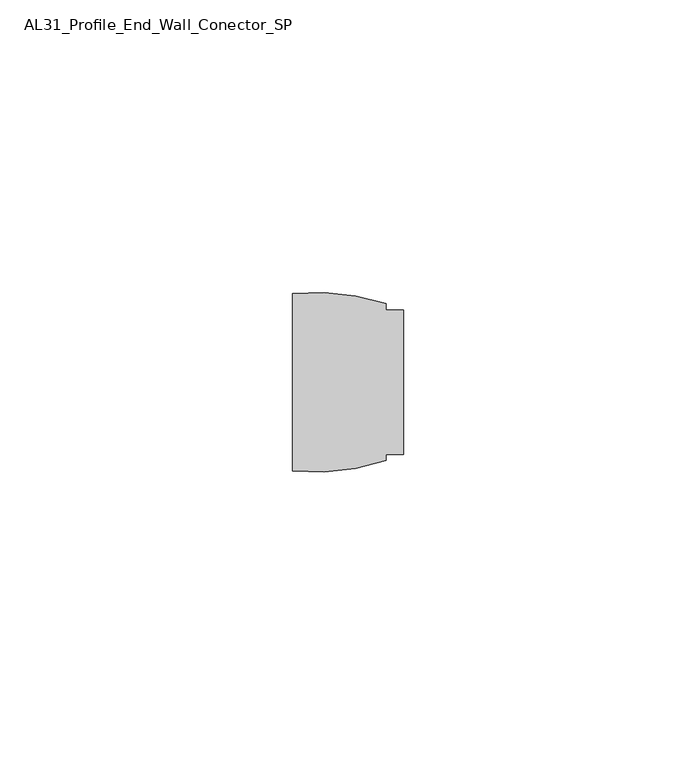
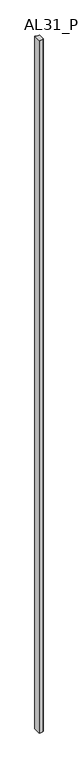
"""IFC4 building model written with IfcOpenShell, lengths in millimetres: member geometry, AL31_Profile_End_Wall_Conector_SP."""

import ifcopenshell
import ifcopenshell.guid

model = None  # the IFC model being written
_history = None  # IfcOwnerHistory: only IFC2X3 demands one
_inside = {}  # id of a spatial element -> (the spatial element, [elements in it])
_under = {}  # id of a project, library or spatial element -> (it, [spatial elements below it])
_declared = {}  # id of a project -> (the project, [libraries it declares])
_typed = {}  # id of a type object -> (the type object, [elements of that type])
_made_of = {}  # id of a material, layer set ... -> (it, [elements and type objects made of it])


def new_model(schema):
    """Start an empty IFC model of exactly this schema.

    Asked for "IFC4X3", IfcOpenShell would pick the latest addendum, in which some entities
    have other attributes; the version numbers below select the first issue.
    IFC2X3 requires an IfcOwnerHistory on every rooted entity: one is made here for all.
    """
    global model, _history
    if schema == "IFC4X3":
        model = ifcopenshell.file(schema_version=(4, 3, 0, 0))
    else:
        model = ifcopenshell.file(schema=schema)
    _inside.clear()
    _under.clear()
    _declared.clear()
    _typed.clear()
    _made_of.clear()
    _history = None
    if model.schema == "IFC2X3":
        org = make("IfcOrganization", Name="unknown")
        user = make(
            "IfcPersonAndOrganization",
            ThePerson=make("IfcPerson", FamilyName="unknown"),
            TheOrganization=org,
        )
        app = make(
            "IfcApplication",
            ApplicationDeveloper=org,
            Version="unknown",
            ApplicationFullName="unknown",
            ApplicationIdentifier="unknown",
        )
        _history = make(
            "IfcOwnerHistory",
            OwningUser=user,
            OwningApplication=app,
            ChangeAction="ADDED",
            CreationDate=0,
        )
    return model


def make(cls, **values):
    """One entity of the class cls with the attributes given. An attribute that is None is left unset."""
    return model.create_entity(
        cls, **{name: value for name, value in values.items() if value is not None}
    )


def rooted(cls, **values):
    """An entity with a GlobalId (a new one), such as an element, a storey or a relation."""
    return make(cls, GlobalId=ifcopenshell.guid.new(), OwnerHistory=_history, **values)


def si_unit(unit_type, name, prefix=None):
    """IfcSIUnit, for example si_unit("LENGTHUNIT", "METRE", prefix="MILLI")."""
    return make("IfcSIUnit", UnitType=unit_type, Prefix=prefix, Name=name)


def assignment(units):
    """IfcUnitAssignment: the units of a project."""
    return None if units is None else make("IfcUnitAssignment", Units=units)


def point(xyz):
    """IfcCartesianPoint."""
    return None if xyz is None else make("IfcCartesianPoint", Coordinates=xyz)


def direction(xyz):
    """IfcDirection."""
    return None if xyz is None else make("IfcDirection", DirectionRatios=xyz)


def frame(location, z_axis=None, x_axis=None):
    """IfcAxis2Placement3D, a coordinate frame: its origin and axes. An axis left out is left unset."""
    return make(
        "IfcAxis2Placement3D",
        Location=point(location),
        Axis=direction(z_axis),
        RefDirection=direction(x_axis),
    )


def frame_2d(location, x_axis=None):
    """IfcAxis2Placement2D, a coordinate frame in the plane: its origin and x axis."""
    return make(
        "IfcAxis2Placement2D", Location=point(location), RefDirection=direction(x_axis)
    )


def origin():
    """The frame at (0, 0, 0) with its axes left unset."""
    return frame((0.0, 0.0, 0.0))


def place(relative_to, where):
    """IfcLocalPlacement: puts the frame where relative to a parent placement (None: the world)."""
    return make(
        "IfcLocalPlacement", PlacementRelTo=relative_to, RelativePlacement=where
    )


def context(
    kind, dimensions, precision=None, world=None, true_north=None, identifier=None
):
    """IfcGeometricRepresentationContext, for example the 3D "Model" context."""
    return make(
        "IfcGeometricRepresentationContext",
        ContextIdentifier=identifier,
        ContextType=kind,
        CoordinateSpaceDimension=dimensions,
        Precision=precision,
        WorldCoordinateSystem=world,
        TrueNorth=true_north,
    )


def project(units=None, contexts=None):
    """IfcProject with its units and contexts."""
    return rooted(
        "IfcProject",
        Name="project",
        RepresentationContexts=contexts,
        UnitsInContext=assignment(units),
    )


def spatial(cls, under=None, at=None, **own):
    """A site, building, storey or space (cls), placed at a placement, below another one or the project."""
    s = rooted(cls, ObjectPlacement=at, **own)
    if under is not None:
        _under.setdefault(under.id(), (under, []))[1].append(s)
    return s


def polyline(points):
    """IfcPolyline through the points."""
    return make("IfcPolyline", Points=[point(p) for p in points])


def circle_curve(where, radius):
    """IfcCircle in the frame where."""
    return make("IfcCircle", Position=where, Radius=radius)


def trimmed(basis, trim1, trim2, sense, master):
    """IfcTrimmedCurve: the piece of a basis curve between two trims."""
    return make(
        "IfcTrimmedCurve",
        BasisCurve=basis,
        Trim1=trim1,
        Trim2=trim2,
        SenseAgreement=sense,
        MasterRepresentation=master,
    )


def segment(curve, same_sense, transition):
    """IfcCompositeCurveSegment."""
    return make(
        "IfcCompositeCurveSegment",
        Transition=transition,
        SameSense=same_sense,
        ParentCurve=curve,
    )


def composite_curve(segments, self_intersect=None):
    """IfcCompositeCurve: segments joined end to end."""
    return make("IfcCompositeCurve", Segments=segments, SelfIntersect=self_intersect)


def outline(outer, holes=None, kind="AREA"):
    """IfcArbitraryClosedProfileDef: a profile drawn as a closed curve; with holes, ...WithVoids."""
    if holes is None:
        return make("IfcArbitraryClosedProfileDef", ProfileType=kind, OuterCurve=outer)
    return make(
        "IfcArbitraryProfileDefWithVoids",
        ProfileType=kind,
        OuterCurve=outer,
        InnerCurves=holes,
    )


def extrude(swept, where, along, depth):
    """IfcExtrudedAreaSolid: the profile swept, set in the frame where, extruded along a direction by depth."""
    return make(
        "IfcExtrudedAreaSolid",
        SweptArea=swept,
        Position=where,
        ExtrudedDirection=direction(along),
        Depth=depth,
    )


def shape(context_of_items, identifier, shape_type, items):
    """IfcShapeRepresentation: the items that make up one representation, for example the "Body"."""
    return make(
        "IfcShapeRepresentation",
        ContextOfItems=context_of_items,
        RepresentationIdentifier=identifier,
        RepresentationType=shape_type,
        Items=items,
    )


def source(mapping_origin, context_of_items, identifier, shape_type, items):
    """IfcRepresentationMap: a shape defined once, which mapped items show again and again."""
    return make(
        "IfcRepresentationMap",
        MappingOrigin=mapping_origin,
        MappedRepresentation=shape(context_of_items, identifier, shape_type, items),
    )


def transform(
    local_origin,
    x_axis=None,
    y_axis=None,
    z_axis=None,
    scale=None,
    scale2=None,
    scale3=None,
    uniform=True,
):
    """IfcCartesianTransformationOperator3D, or its non-uniform kind. x_axis, y_axis, z_axis: its Axis1, 2, 3."""
    if uniform:
        return make(
            "IfcCartesianTransformationOperator3D",
            Axis1=direction(x_axis),
            Axis2=direction(y_axis),
            LocalOrigin=point(local_origin),
            Scale=scale,
            Axis3=direction(z_axis),
        )
    return make(
        "IfcCartesianTransformationOperator3DnonUniform",
        Axis1=direction(x_axis),
        Axis2=direction(y_axis),
        LocalOrigin=point(local_origin),
        Scale=scale,
        Axis3=direction(z_axis),
        Scale2=scale2,
        Scale3=scale3,
    )


def mapped(mapping_source, mapping_target):
    """IfcMappedItem: shows the shape of a source again, moved by a transform."""
    return make(
        "IfcMappedItem", MappingSource=mapping_source, MappingTarget=mapping_target
    )


def made_of(thing, what):
    """Note that an element or type object is made of a material, layer set ...; save() writes the relation."""
    if what is not None:
        _made_of.setdefault(what.id(), (what, []))[1].append(thing)
    return thing


def element(
    cls,
    number,
    at=None,
    inside=None,
    cuts=None,
    type_object=None,
    material=None,
    context=None,
    identifier="Body",
    shape_type=None,
    held_by="IfcProductDefinitionShape",
    body=None,
    shapes=None,
    **own,
):
    """One element of the class cls, such as IfcWall. Its Tag is "e" and its number.

    at: its placement. inside: the storey or other place that contains it. cuts: it is an
    opening in that element (IfcRelVoidsElement). A single representation is given by context,
    identifier, shape_type and body (its items); several are given by shapes. held_by: the class
    of the entity that holds the representations. save() writes the other relations.
    """
    e = rooted(cls, Tag="e%d" % number, ObjectPlacement=at, **own)
    if body is not None:
        shapes = [shape(context, identifier, shape_type, body)]
    if shapes is not None:
        e.Representation = make(held_by, Representations=shapes)
    if inside is not None:
        _inside.setdefault(inside.id(), (inside, []))[1].append(e)
    if cuts is not None:
        rooted(
            "IfcRelVoidsElement", RelatingBuildingElement=cuts, RelatedOpeningElement=e
        )
    if type_object is not None:
        _typed.setdefault(type_object.id(), (type_object, []))[1].append(e)
    return made_of(e, material)


def aggregate(whole, parts):
    """IfcRelAggregates: a whole, such as a stair, and the parts it consists of."""
    return rooted("IfcRelAggregates", RelatingObject=whole, RelatedObjects=parts)


def save(model, path):
    """Write the relations noted so far, then the file.

    IfcRelAggregates (storeys below a building ...), IfcRelContainedInSpatialStructure (elements
    in a storey), IfcRelDefinesByType, IfcRelAssociatesMaterial and IfcRelDeclares: one each for
    every whole, place, type object, material and project.
    """
    for whole, parts in _under.values():
        aggregate(whole, parts)
    for where, things in _inside.values():
        rooted(
            "IfcRelContainedInSpatialStructure",
            RelatedElements=things,
            RelatingStructure=where,
        )
    for kind, things in _typed.values():
        rooted("IfcRelDefinesByType", RelatedObjects=things, RelatingType=kind)
    for what, things in _made_of.values():
        rooted("IfcRelAssociatesMaterial", RelatedObjects=things, RelatingMaterial=what)
    for by, libraries in _declared.values():
        rooted("IfcRelDeclares", RelatingContext=by, RelatedDefinitions=libraries)
    model.write(path)


def al31_profile_end_wall_conector_sp_b9e7ecce(model_context):
    return source(origin(), model_context, "Body", "SweptSolid", [
        extrude(outline(composite_curve([segment(polyline([(-2.91093, -12.35), (-2.91093, -13.4055082)]), True, "CONTINUOUS"), segment(trimmed(circle_curve(frame_2d((-14.910931, 22.6500042)), 38.0), [point((-2.91093, -13.4055082))], [point((-18.9189957, -15.1380285))], False, "CARTESIAN"), True, "CONTINUOUS"), segment(polyline([(-18.9189957, -15.1380285), (-18.9189957, 15.1380318)]), True, "CONTINUOUS"), segment(trimmed(circle_curve(frame_2d((-14.910931, -22.6500009)), 38.0), [point((-18.9189957, 15.1380318))], [point((-2.9109321, 13.4055122))], False, "CARTESIAN"), True, "CONTINUOUS"), segment(polyline([(-2.9109321, 13.4055122), (-2.9109321, 12.35), (0.0, 12.35), (0.0, -12.35), (-2.91093, -12.35)]), True, "CONTINUOUS")], self_intersect=False)), frame((0.0, 0.0, -3000.0), z_axis=(0.0, 0.0, 1.0), x_axis=(1.0, 0.0, 0.0)), (0.0, 0.0, 1.0), 3000.0),
    ])


if __name__ == "__main__":
    model = new_model("IFC4")
    model_context = context("Model", 3, world=origin())
    ifc_project = project(units=[si_unit("LENGTHUNIT", "METRE", prefix="MILLI")], contexts=[model_context])
    site = spatial("IfcSite", under=ifc_project)
    building = spatial("IfcBuilding", under=site)
    placement = place(None, origin())
    al31_profile_end_wall_conector_sp_shape = al31_profile_end_wall_conector_sp_b9e7ecce(model_context)
    element("IfcMember", 1, ObjectType="AL31_Profile_End_Wall_Conector_SP", at=placement, inside=building, context=model_context, shape_type="MappedRepresentation", body=[
        mapped(al31_profile_end_wall_conector_sp_shape, transform((0.0, 0.0, 0.0), x_axis=(1.0, 0.0, 0.0), y_axis=(0.0, 1.0, 0.0), z_axis=(0.0, 0.0, 1.0))),
    ])
    save(model, "model.ifc")
